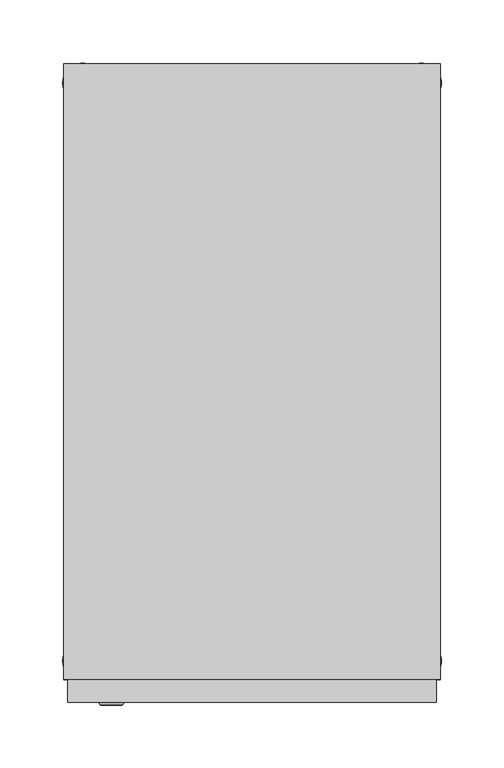
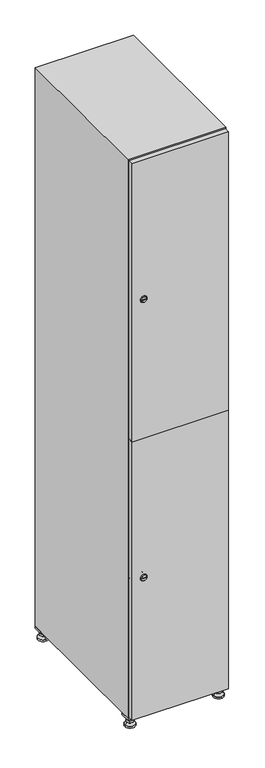
"""IFC4 building model written with IfcOpenShell, lengths in millimetres: furniture geometry."""

from ifc_helpers import new_model, si_unit, point, frame, frame_2d, origin, origin_with_axes, place, context, project, spatial, polyline, circle_curve, trimmed, segment, composite_curve, outline, extrude, faceted_brep, source, transform, mapped, element, save
from ifc_brep_helpers import plane_surface, revolved_surface, advanced_brep


def furniture_4c5881f7(model_context):
    return source(origin(), model_context, "Body", "SolidModel", [
        extrude(outline(polyline([(100.0, 245.0), (100.0, 215.0), (70.0, 215.0), (70.0, 245.0), (100.0, 245.0)]), holes=[polyline([(98.0, 243.0), (72.0, 243.0), (72.0, 217.0), (98.0, 217.0), (98.0, 243.0)])]), frame((0.0, 0.0, 28.5), z_axis=(0.0, 0.0, 1.0), x_axis=(1.0, 0.0, 0.0)), (0.0, 0.0, 1.0), 6.5),
        extrude(outline(polyline([(70.0, -245.0), (70.0, -215.0), (100.0, -215.0), (100.0, -245.0), (70.0, -245.0)]), holes=[polyline([(72.0, -243.0), (98.0, -243.0), (98.0, -217.0), (72.0, -217.0), (72.0, -243.0)])]), frame((0.0, 0.0, 28.5), z_axis=(0.0, 0.0, 1.0), x_axis=(1.0, 0.0, 0.0)), (0.0, 0.0, 1.0), 6.5),
        extrude(outline(polyline([(-170.0, 245.0), (-170.0, 215.0), (-200.0, 215.0), (-200.0, 245.0), (-170.0, 245.0)]), holes=[polyline([(-172.0, 243.0), (-198.0, 243.0), (-198.0, 217.0), (-172.0, 217.0), (-172.0, 243.0)])]), frame((0.0, 0.0, 28.5), z_axis=(0.0, 0.0, 1.0), x_axis=(1.0, 0.0, 0.0)), (0.0, 0.0, 1.0), 6.5),
        extrude(outline(polyline([(-170.0, -215.0), (-170.0, -245.0), (-200.0, -245.0), (-200.0, -215.0), (-170.0, -215.0)]), holes=[polyline([(-198.0, -243.0), (-172.0, -243.0), (-172.0, -217.0), (-198.0, -217.0), (-198.0, -243.0)])]), frame((0.0, 0.0, 28.5), z_axis=(0.0, 0.0, 1.0), x_axis=(1.0, 0.0, 0.0)), (0.0, 0.0, 1.0), 6.5),
        extrude(outline(composite_curve([segment(trimmed(circle_curve(frame_2d((-185.0, 230.0)), 5.0), [point((-180.0, 230.0))], [point((-190.0, 230.0))], False, "CARTESIAN"), True, "CONTINUOUS"), segment(trimmed(circle_curve(frame_2d((-185.0, 230.0)), 5.0), [point((-190.0, 230.0))], [point((-180.0, 230.0))], False, "CARTESIAN"), True, "CONTINUOUS")], self_intersect=False)), frame((0.0, 0.0, 19.6), z_axis=(0.0, 0.0, 1.0), x_axis=(1.0, 0.0, 0.0)), (0.0, 0.0, 1.0), 15.4),
        extrude(outline(composite_curve([segment(trimmed(circle_curve(frame_2d((-185.0, -230.0)), 5.0), [point((-180.0, -230.0))], [point((-190.0, -230.0))], False, "CARTESIAN"), True, "CONTINUOUS"), segment(trimmed(circle_curve(frame_2d((-185.0, -230.0)), 5.0), [point((-190.0, -230.0))], [point((-180.0, -230.0))], False, "CARTESIAN"), True, "CONTINUOUS")], self_intersect=False)), frame((0.0, 0.0, 19.6), z_axis=(0.0, 0.0, 1.0), x_axis=(1.0, 0.0, 0.0)), (0.0, 0.0, 1.0), 15.4),
        extrude(outline(composite_curve([segment(trimmed(circle_curve(frame_2d((85.0, 230.0)), 5.0), [point((90.0, 230.0))], [point((80.0, 230.0))], False, "CARTESIAN"), True, "CONTINUOUS"), segment(trimmed(circle_curve(frame_2d((85.0, 230.0)), 5.0), [point((80.0, 230.0))], [point((90.0, 230.0))], False, "CARTESIAN"), True, "CONTINUOUS")], self_intersect=False)), frame((0.0, 0.0, 19.6), z_axis=(0.0, 0.0, 1.0), x_axis=(1.0, 0.0, 0.0)), (0.0, 0.0, 1.0), 15.4),
        extrude(outline(polyline([(73.4529946, 230.0), (79.2264973, 240.0), (90.7735027, 240.0), (96.5470054, 230.0), (90.7735027, 220.0), (79.2264973, 220.0), (73.4529946, 230.0)])), frame((0.0, 0.0, 13.6), z_axis=(0.0, 0.0, 1.0), x_axis=(1.0, 0.0, 0.0)), (0.0, 0.0, 1.0), 6.0),
        extrude(outline(composite_curve([segment(trimmed(circle_curve(frame_2d((85.0, -230.0)), 5.0), [point((90.0, -230.0))], [point((80.0, -230.0))], False, "CARTESIAN"), True, "CONTINUOUS"), segment(trimmed(circle_curve(frame_2d((85.0, -230.0)), 5.0), [point((80.0, -230.0))], [point((90.0, -230.0))], False, "CARTESIAN"), True, "CONTINUOUS")], self_intersect=False)), frame((0.0, 0.0, 19.6), z_axis=(0.0, 0.0, 1.0), x_axis=(1.0, 0.0, 0.0)), (0.0, 0.0, 1.0), 15.4),
        extrude(outline(polyline([(73.4529946, -230.0), (79.2264973, -220.0), (90.7735027, -220.0), (96.5470054, -230.0), (90.7735027, -240.0), (79.2264973, -240.0), (73.4529946, -230.0)])), frame((0.0, 0.0, 13.6), z_axis=(0.0, 0.0, 1.0), x_axis=(1.0, 0.0, 0.0)), (0.0, 0.0, 1.0), 6.0),
        extrude(outline(composite_curve([segment(trimmed(circle_curve(frame_2d((85.0, 230.0)), 5.0), [point((90.0, 230.0))], [point((80.0, 230.0))], False, "CARTESIAN"), True, "CONTINUOUS"), segment(trimmed(circle_curve(frame_2d((85.0, 230.0)), 5.0), [point((80.0, 230.0))], [point((90.0, 230.0))], False, "CARTESIAN"), True, "CONTINUOUS")], self_intersect=False)), frame((0.0, 0.0, 12.1), z_axis=(0.0, 0.0, 1.0), x_axis=(1.0, 0.0, 0.0)), (0.0, 0.0, 1.0), 1.5),
        extrude(outline(composite_curve([segment(trimmed(circle_curve(frame_2d((85.0, -230.0)), 5.0), [point((90.0, -230.0))], [point((80.0, -230.0))], False, "CARTESIAN"), True, "CONTINUOUS"), segment(trimmed(circle_curve(frame_2d((85.0, -230.0)), 5.0), [point((80.0, -230.0))], [point((90.0, -230.0))], False, "CARTESIAN"), True, "CONTINUOUS")], self_intersect=False)), frame((0.0, 0.0, 12.1), z_axis=(0.0, 0.0, 1.0), x_axis=(1.0, 0.0, 0.0)), (0.0, 0.0, 1.0), 1.5),
        extrude(outline(polyline([(-196.5470054, 230.0), (-190.7735027, 240.0), (-179.2264973, 240.0), (-173.4529946, 230.0), (-179.2264973, 220.0), (-190.7735027, 220.0), (-196.5470054, 230.0)])), frame((0.0, 0.0, 13.6), z_axis=(0.0, 0.0, 1.0), x_axis=(1.0, 0.0, 0.0)), (0.0, 0.0, 1.0), 6.0),
        extrude(outline(polyline([(-196.5470054, -230.0), (-190.7735027, -220.0), (-179.2264973, -220.0), (-173.4529946, -230.0), (-179.2264973, -240.0), (-190.7735027, -240.0), (-196.5470054, -230.0)])), frame((0.0, 0.0, 13.6), z_axis=(0.0, 0.0, 1.0), x_axis=(1.0, 0.0, 0.0)), (0.0, 0.0, 1.0), 6.0),
        extrude(outline(composite_curve([segment(trimmed(circle_curve(frame_2d((-185.0, 230.0)), 5.0), [point((-185.0, 235.0))], [point((-185.0, 225.0))], False, "CARTESIAN"), True, "CONTINUOUS"), segment(trimmed(circle_curve(frame_2d((-185.0, 230.0)), 5.0), [point((-185.0, 225.0))], [point((-185.0, 235.0))], False, "CARTESIAN"), True, "CONTINUOUS")], self_intersect=False)), frame((0.0, 0.0, 12.1), z_axis=(0.0, 0.0, 1.0), x_axis=(1.0, 0.0, 0.0)), (0.0, 0.0, 1.0), 1.5),
        extrude(outline(composite_curve([segment(trimmed(circle_curve(frame_2d((-185.0, -230.0)), 5.0), [point((-180.0, -230.0))], [point((-190.0, -230.0))], False, "CARTESIAN"), True, "CONTINUOUS"), segment(trimmed(circle_curve(frame_2d((-185.0, -230.0)), 5.0), [point((-190.0, -230.0))], [point((-180.0, -230.0))], False, "CARTESIAN"), True, "CONTINUOUS")], self_intersect=False)), frame((0.0, 0.0, 12.1), z_axis=(0.0, 0.0, 1.0), x_axis=(1.0, 0.0, 0.0)), (0.0, 0.0, 1.0), 1.5),
        extrude(outline(composite_curve([segment(trimmed(circle_curve(frame_2d((85.0, 230.0)), 15.75), [point((100.75, 230.0))], [point((69.25, 230.0))], False, "CARTESIAN"), True, "CONTINUOUS"), segment(trimmed(circle_curve(frame_2d((85.0, 230.0)), 15.75), [point((69.25, 230.0))], [point((100.75, 230.0))], False, "CARTESIAN"), True, "CONTINUOUS")], self_intersect=False)), origin_with_axes(), (0.0, 0.0, 1.0), 5.1),
        extrude(outline(composite_curve([segment(trimmed(circle_curve(frame_2d((85.0, -230.0)), 15.75), [point((85.0, -214.25))], [point((85.0, -245.75))], False, "CARTESIAN"), True, "CONTINUOUS"), segment(trimmed(circle_curve(frame_2d((85.0, -230.0)), 15.75), [point((85.0, -245.75))], [point((85.0, -214.25))], False, "CARTESIAN"), True, "CONTINUOUS")], self_intersect=False)), origin_with_axes(), (0.0, 0.0, 1.0), 5.1),
        extrude(outline(composite_curve([segment(trimmed(circle_curve(frame_2d((-185.0, -230.0)), 15.75), [point((-169.25, -230.0))], [point((-200.75, -230.0))], False, "CARTESIAN"), True, "CONTINUOUS"), segment(trimmed(circle_curve(frame_2d((-185.0, -230.0)), 15.75), [point((-200.75, -230.0))], [point((-169.25, -230.0))], False, "CARTESIAN"), True, "CONTINUOUS")], self_intersect=False)), origin_with_axes(), (0.0, 0.0, 1.0), 5.1),
        extrude(outline(composite_curve([segment(trimmed(circle_curve(frame_2d((-185.0, 230.0)), 15.75), [point((-169.25, 230.0))], [point((-200.75, 230.0))], False, "CARTESIAN"), True, "CONTINUOUS"), segment(trimmed(circle_curve(frame_2d((-185.0, 230.0)), 15.75), [point((-200.75, 230.0))], [point((-169.25, 230.0))], False, "CARTESIAN"), True, "CONTINUOUS")], self_intersect=False)), origin_with_axes(), (0.0, 0.0, 1.0), 5.1),
        advanced_brep(
        [(-185.0, 239.5, 12.1), (-185.0, 220.5, 12.1), (-185.0, 214.25, 5.1), (-185.0, 245.75, 5.1)],
        [
            (0, 1, circle_curve(frame((-185.0, 230.0, 12.1), z_axis=(0.0, 0.0, -1.0), x_axis=(0.0, 1.0, 0.0)), 9.5)),
            (1, 2),
            (2, 3, circle_curve(frame((-185.0, 230.0, 5.1), z_axis=(0.0, 0.0, 1.0), x_axis=(0.0, 1.0, 0.0)), 15.75)),
            (3, 0),
            (1, 0, circle_curve(frame((-185.0, 230.0, 12.1), z_axis=(0.0, 0.0, -1.0), x_axis=(0.0, -1.0, 0.0)), 9.5)),
            (3, 2, circle_curve(frame((-185.0, 230.0, 5.1), z_axis=(0.0, 0.0, 1.0), x_axis=(0.0, -1.0, 0.0)), 15.75)),
        ],
        [
            revolved_surface(polyline([(-185.0, 220.5, 12.099999999999998), (-185.0, 214.25, 5.099999999999998)]), (-185.0, 230.0, 22.74), (0.0, 0.0, -1.0)),
            revolved_surface(polyline([(-185.0, 239.5, 12.099999999999998), (-185.0, 245.75, 5.099999999999998)]), (-185.0, 230.0, 22.74), (0.0, 0.0, -1.0)),
            plane_surface(frame((-185.0, 230.0, 5.1), z_axis=(0.0, 0.0, -1.0), x_axis=(1.0, 0.0, 0.0))),
            plane_surface(frame((-185.0, 230.0, 12.1), z_axis=(0.0, 0.0, 1.0), x_axis=(1.0, 0.0, 0.0))),
        ],
        [
            (0, [[1, 2, 3, 4]]),
            (1, [[5, -4, 6, -2]]),
            (2, [[-3, -6]]),
            (3, [[-5, -1]]),
        ],
    ),
        advanced_brep(
        [(85.0, 239.5, 12.1), (85.0, 220.5, 12.1), (85.0, 214.25, 5.1), (85.0, 245.75, 5.1)],
        [
            (0, 1, circle_curve(frame((85.0, 230.0, 12.1), z_axis=(0.0, 0.0, -1.0), x_axis=(0.0, 1.0, 0.0)), 9.5)),
            (1, 2),
            (2, 3, circle_curve(frame((85.0, 230.0, 5.1), z_axis=(0.0, 0.0, 1.0), x_axis=(0.0, 1.0, 0.0)), 15.75)),
            (3, 0),
            (1, 0, circle_curve(frame((85.0, 230.0, 12.1), z_axis=(0.0, 0.0, -1.0), x_axis=(0.0, -1.0, 0.0)), 9.5)),
            (3, 2, circle_curve(frame((85.0, 230.0, 5.1), z_axis=(0.0, 0.0, 1.0), x_axis=(0.0, -1.0, 0.0)), 15.75)),
        ],
        [
            revolved_surface(polyline([(85.0, 220.5, 12.099999999999998), (85.0, 214.25, 5.099999999999998)]), (85.0, 230.0, 22.74), (0.0, 0.0, -1.0)),
            revolved_surface(polyline([(85.0, 239.5, 12.099999999999998), (85.0, 245.75, 5.099999999999998)]), (85.0, 230.0, 22.74), (0.0, 0.0, -1.0)),
            plane_surface(frame((85.0, 230.0, 5.1), z_axis=(0.0, 0.0, -1.0), x_axis=(1.0, 0.0, 0.0))),
            plane_surface(frame((85.0, 230.0, 12.1), z_axis=(0.0, 0.0, 1.0), x_axis=(1.0, 0.0, 0.0))),
        ],
        [
            (0, [[1, 2, 3, 4]]),
            (1, [[5, -4, 6, -2]]),
            (2, [[-3, -6]]),
            (3, [[-5, -1]]),
        ],
    ),
        advanced_brep(
        [(100.75, -230.0, 5.1), (69.25, -230.0, 5.1), (75.5, -230.0, 12.1), (94.5, -230.0, 12.1)],
        [
            (0, 1, circle_curve(frame((85.0, -230.0, 5.1), z_axis=(0.0, 0.0, 1.0), x_axis=(1.0, 0.0, 0.0)), 15.75)),
            (1, 2),
            (2, 3, circle_curve(frame((85.0, -230.0, 12.1), z_axis=(0.0, 0.0, -1.0), x_axis=(1.0, 0.0, 0.0)), 9.5)),
            (3, 0),
            (1, 0, circle_curve(frame((85.0, -230.0, 5.1), z_axis=(0.0, 0.0, 1.0), x_axis=(-1.0, 0.0, 0.0)), 15.75)),
            (3, 2, circle_curve(frame((85.0, -230.0, 12.1), z_axis=(0.0, 0.0, -1.0), x_axis=(-1.0, 0.0, 0.0)), 9.5)),
        ],
        [
            revolved_surface(polyline([(94.5, -230.0, 12.099999999999998), (100.75, -230.0, 5.099999999999998)]), (85.0, -230.0, 22.74), (0.0, 0.0, -1.0)),
            revolved_surface(polyline([(75.5, -230.0, 12.099999999999998), (69.25, -230.0, 5.099999999999998)]), (85.0, -230.0, 22.74), (0.0, 0.0, -1.0)),
            plane_surface(frame((85.0, -230.0, 12.1), z_axis=(0.0, 0.0, 1.0), x_axis=(0.0, 1.0, 0.0))),
            plane_surface(frame((85.0, -230.0, 5.1), z_axis=(0.0, 0.0, -1.0), x_axis=(0.0, 1.0, 0.0))),
        ],
        [
            (0, [[1, 2, 3, 4]]),
            (1, [[5, -4, 6, -2]]),
            (2, [[-3, -6]]),
            (3, [[-5, -1]]),
        ],
    ),
        advanced_brep(
        [(-169.25, -230.0, 5.1), (-200.75, -230.0, 5.1), (-194.5, -230.0, 12.1), (-175.5, -230.0, 12.1)],
        [
            (0, 1, circle_curve(frame((-185.0, -230.0, 5.1), z_axis=(0.0, 0.0, 1.0), x_axis=(1.0, 0.0, 0.0)), 15.75)),
            (1, 2),
            (2, 3, circle_curve(frame((-185.0, -230.0, 12.1), z_axis=(0.0, 0.0, -1.0), x_axis=(1.0, 0.0, 0.0)), 9.5)),
            (3, 0),
            (1, 0, circle_curve(frame((-185.0, -230.0, 5.1), z_axis=(0.0, 0.0, 1.0), x_axis=(-1.0, 0.0, 0.0)), 15.75)),
            (3, 2, circle_curve(frame((-185.0, -230.0, 12.1), z_axis=(0.0, 0.0, -1.0), x_axis=(-1.0, 0.0, 0.0)), 9.5)),
        ],
        [
            revolved_surface(polyline([(-175.5, -230.0, 12.099999999999998), (-169.25, -230.0, 5.099999999999998)]), (-185.0, -230.0, 22.74), (0.0, 0.0, -1.0)),
            revolved_surface(polyline([(-194.5, -230.0, 12.099999999999998), (-200.75, -230.0, 5.099999999999998)]), (-185.0, -230.0, 22.74), (0.0, 0.0, -1.0)),
            plane_surface(frame((-185.0, -230.0, 12.1), z_axis=(0.0, 0.0, 1.0), x_axis=(0.0, 1.0, 0.0))),
            plane_surface(frame((-185.0, -230.0, 5.1), z_axis=(0.0, 0.0, -1.0), x_axis=(0.0, 1.0, 0.0))),
        ],
        [
            (0, [[1, 2, 3, 4]]),
            (1, [[5, -4, 6, -2]]),
            (2, [[-3, -6]]),
            (3, [[-5, -1]]),
        ],
    ),
        extrude(outline(composite_curve([segment(trimmed(circle_curve(frame_2d((486.5, -188.7989466)), 7.0), [point((493.5, -188.7989466))], [point((479.5, -188.7989466))], False, "CARTESIAN"), True, "CONTINUOUS"), segment(polyline([(479.5, -188.7989466), (479.5, -160.7989466)]), True, "CONTINUOUS"), segment(trimmed(circle_curve(frame_2d((486.5, -160.7989466)), 7.0), [point((479.5, -160.7989466))], [point((493.5, -160.7989466))], False, "CARTESIAN"), True, "CONTINUOUS"), segment(polyline([(493.5, -160.7989466), (493.5, -188.7989466)]), True, "CONTINUOUS")], self_intersect=False)), frame((0.0, -245.0, 0.0), z_axis=(0.0, 1.0, 0.0), x_axis=(0.0, 0.0, 1.0)), (0.0, 0.0, 1.0), 2.0),
        advanced_brep(
        [(-153.5, -265.2, 486.5), (-170.5, -265.2, 486.5), (-167.0, -265.2, 485.25), (-167.0, -265.2, 487.75), (-157.0, -265.2, 487.75), (-157.0, -265.2, 485.25), (-151.5, -263.0, 486.5), (-172.5, -263.0, 486.5), (-167.0, -263.0, 487.75), (-167.0, -263.0, 485.25), (-157.0, -263.0, 485.25), (-157.0, -263.0, 487.75)],
        [
            (0, 1, circle_curve(frame((-162.0, -265.2, 486.5), z_axis=(0.0, -1.0, 0.0), x_axis=(1.0, 0.0, 0.0)), 8.5)),
            (1, 0, circle_curve(frame((-162.0, -265.2, 486.5), z_axis=(0.0, -1.0, 0.0), x_axis=(-1.0, 0.0, 0.0)), 8.5)),
            (2, 3),
            (3, 4),
            (4, 5),
            (5, 2),
            (6, 7, circle_curve(frame((-162.0, -263.0, 486.5), z_axis=(0.0, 1.0, 0.0), x_axis=(-1.0, 0.0, 0.0)), 10.5)),
            (7, 6, circle_curve(frame((-162.0, -263.0, 486.5), z_axis=(0.0, 1.0, 0.0), x_axis=(1.0, 0.0, 0.0)), 10.5)),
            (8, 9),
            (9, 10),
            (10, 11),
            (11, 8),
            (0, 6),
            (7, 1),
            (8, 3),
            (2, 9),
            (11, 4),
            (10, 5),
        ],
        [
            plane_surface(frame((-162.0, -265.2, 486.5), z_axis=(0.0, -1.0, 0.0), x_axis=(0.0, 0.0, 1.0))),
            plane_surface(frame((-162.0, -263.0, 486.5), z_axis=(0.0, 1.0, 0.0), x_axis=(0.0, 0.0, 1.0))),
            revolved_surface(polyline([(-153.5, -265.2, 486.5), (-151.5, -263.0, 486.5)]), (-162.0, -274.55, 486.5), (0.0, 1.0, 0.0)),
            revolved_surface(polyline([(-170.5, -265.2, 486.5), (-172.5, -263.0, 486.5)]), (-162.0, -274.55, 486.5), (0.0, 1.0, 0.0)),
            plane_surface(frame((-167.0, -263.0, 485.25), z_axis=(1.0, 0.0, 0.0), x_axis=(0.0, -1.0, 0.0))),
            plane_surface(frame((-167.0, -263.0, 487.75), z_axis=(0.0, 0.0, -1.0), x_axis=(0.0, -1.0, 0.0))),
            plane_surface(frame((-157.0, -263.0, 487.75), z_axis=(-1.0, 0.0, 0.0), x_axis=(0.0, -1.0, 0.0))),
            plane_surface(frame((-157.0, -263.0, 485.25), z_axis=(0.0, 0.0, 1.0), x_axis=(0.0, -1.0, 0.0))),
        ],
        [
            (0, [[1, 2], [3, 4, 5, 6]]),
            (1, [[7, 8], [9, 10, 11, 12]]),
            (2, [[-1, 13, -8, 14]]),
            (3, [[-2, -14, -7, -13]]),
            (4, [[15, -3, 16, -9]]),
            (5, [[-15, -12, 17, -4]]),
            (6, [[-17, -11, 18, -5]]),
            (7, [[-16, -6, -18, -10]]),
        ],
    ),
        extrude(outline(composite_curve([segment(trimmed(circle_curve(frame_2d((1383.5, -188.7989466)), 7.0), [point((1390.5, -188.7989466))], [point((1376.5, -188.7989466))], False, "CARTESIAN"), True, "CONTINUOUS"), segment(polyline([(1376.5, -188.7989466), (1376.5, -160.7989466)]), True, "CONTINUOUS"), segment(trimmed(circle_curve(frame_2d((1383.5, -160.7989466)), 7.0), [point((1376.5, -160.7989466))], [point((1390.5, -160.7989466))], False, "CARTESIAN"), True, "CONTINUOUS"), segment(polyline([(1390.5, -160.7989466), (1390.5, -188.7989466)]), True, "CONTINUOUS")], self_intersect=False)), frame((0.0, -245.0, 0.0), z_axis=(0.0, 1.0, 0.0), x_axis=(0.0, 0.0, 1.0)), (0.0, 0.0, 1.0), 2.0),
        advanced_brep(
        [(-153.5, -265.2, 1383.5), (-170.5, -265.2, 1383.5), (-167.0, -265.2, 1382.25), (-167.0, -265.2, 1384.75), (-157.0, -265.2, 1384.75), (-157.0, -265.2, 1382.25), (-151.5, -263.0, 1383.5), (-172.5, -263.0, 1383.5), (-167.0, -263.0, 1384.75), (-167.0, -263.0, 1382.25), (-157.0, -263.0, 1382.25), (-157.0, -263.0, 1384.75)],
        [
            (0, 1, circle_curve(frame((-162.0, -265.2, 1383.5), z_axis=(0.0, -1.0, 0.0), x_axis=(1.0, 0.0, 0.0)), 8.5)),
            (1, 0, circle_curve(frame((-162.0, -265.2, 1383.5), z_axis=(0.0, -1.0, 0.0), x_axis=(-1.0, 0.0, 0.0)), 8.5)),
            (2, 3),
            (3, 4),
            (4, 5),
            (5, 2),
            (6, 7, circle_curve(frame((-162.0, -263.0, 1383.5), z_axis=(0.0, 1.0, 0.0), x_axis=(-1.0, 0.0, 0.0)), 10.5)),
            (7, 6, circle_curve(frame((-162.0, -263.0, 1383.5), z_axis=(0.0, 1.0, 0.0), x_axis=(1.0, 0.0, 0.0)), 10.5)),
            (8, 9),
            (9, 10),
            (10, 11),
            (11, 8),
            (0, 6),
            (7, 1),
            (8, 3),
            (2, 9),
            (11, 4),
            (10, 5),
        ],
        [
            plane_surface(frame((-162.0, -265.2, 1383.5), z_axis=(0.0, -1.0, 0.0), x_axis=(0.0, 0.0, 1.0))),
            plane_surface(frame((-162.0, -263.0, 1383.5), z_axis=(0.0, 1.0, 0.0), x_axis=(0.0, 0.0, 1.0))),
            revolved_surface(polyline([(-153.5, -265.2, 1383.5), (-151.5, -263.0, 1383.5)]), (-162.0, -274.55, 1383.5), (0.0, 1.0, 0.0)),
            revolved_surface(polyline([(-170.5, -265.2, 1383.5), (-172.5, -263.0, 1383.5)]), (-162.0, -274.55, 1383.5), (0.0, 1.0, 0.0)),
            plane_surface(frame((-167.0, -263.0, 1382.25), z_axis=(1.0, 0.0, 0.0), x_axis=(0.0, -1.0, 0.0))),
            plane_surface(frame((-167.0, -263.0, 1384.75), z_axis=(0.0, 0.0, -1.0), x_axis=(0.0, -1.0, 0.0))),
            plane_surface(frame((-157.0, -263.0, 1384.75), z_axis=(-1.0, 0.0, 0.0), x_axis=(0.0, -1.0, 0.0))),
            plane_surface(frame((-157.0, -263.0, 1382.25), z_axis=(0.0, 0.0, 1.0), x_axis=(0.0, -1.0, 0.0))),
        ],
        [
            (0, [[1, 2], [3, 4, 5, 6]]),
            (1, [[7, 8], [9, 10, 11, 12]]),
            (2, [[-1, 13, -8, 14]]),
            (3, [[-2, -14, -7, -13]]),
            (4, [[15, -3, 16, -9]]),
            (5, [[-15, -12, 17, -4]]),
            (6, [[-17, -11, 18, -5]]),
            (7, [[-16, -6, -18, -10]]),
        ],
    ),
        extrude(outline(polyline([(-197.0, -263.0), (-197.0, -245.0), (97.0, -245.0), (97.0, -263.0), (-197.0, -263.0)])), frame((0.0, 0.0, 38.0), z_axis=(0.0, 0.0, 1.0), x_axis=(1.0, 0.0, 0.0)), (0.0, 0.0, 1.0), 896.5),
        extrude(outline(polyline([(97.0, -245.0), (97.0, -263.0), (-197.0, -263.0), (-197.0, -245.0), (97.0, -245.0)])), frame((0.0, 0.0, 935.5), z_axis=(0.0, 0.0, 1.0), x_axis=(1.0, 0.0, 0.0)), (0.0, 0.0, 1.0), 896.5),
        extrude(outline(polyline([(79.6, 242.0), (79.6, -227.0), (-179.6, -227.0), (-179.6, 242.0), (79.6, 242.0)])), frame((0.0, 0.0, 924.8), z_axis=(0.0, 0.0, 1.0), x_axis=(1.0, 0.0, 0.0)), (0.0, 0.0, 1.0), 20.4),
        faceted_brep([(100.0, -245.0, 35.0), (100.0, -245.0, 1835.0), (-200.0, -245.0, 1835.0), (-200.0, -245.0, 35.0), (79.6, -245.0, 1804.8), (79.6, -245.0, 65.2), (-179.6, -245.0, 65.2), (-179.6, -245.0, 1804.8), (100.0, 245.0, 35.0), (-200.0, 245.0, 35.0), (100.0, 245.0, 1835.0), (-200.0, 245.0, 1835.0), (79.6, 242.0, 1804.8), (79.6, 242.0, 65.2), (-200.0, 245.0, 1804.8), (-179.6, 242.0, 1804.8), (-179.6, 242.0, 65.2)], [[[0, 1, 2, 3], [4, 5, 6, 7]], [[8, 0, 3, 9]], [[1, 0, 8, 10]], [[1, 10, 11, 2]], [[4, 12, 13, 5]], [[9, 3, 2, 11, 14]], [[10, 8, 9, 14, 11]], [[12, 15, 16, 13]], [[15, 7, 6, 16]], [[4, 7, 15, 12]], [[6, 5, 13, 16]]]),
    ])


if __name__ == "__main__":
    model = new_model("IFC4")
    model_context = context("Model", 3, world=origin())
    ifc_project = project(units=[si_unit("LENGTHUNIT", "METRE", prefix="MILLI")], contexts=[model_context])
    site = spatial("IfcSite", under=ifc_project)
    building = spatial("IfcBuilding", under=site)
    placement = place(None, origin())
    furniture_shape = furniture_4c5881f7(model_context)
    element("IfcFurniture", 1, at=placement, inside=building, context=model_context, shape_type="MappedRepresentation", body=[
        mapped(furniture_shape, transform((0.0, 0.0, 0.0), x_axis=(1.0, 0.0, 0.0), y_axis=(0.0, 1.0, 0.0), z_axis=(0.0, 0.0, 1.0))),
    ])
    save(model, "model.ifc")
